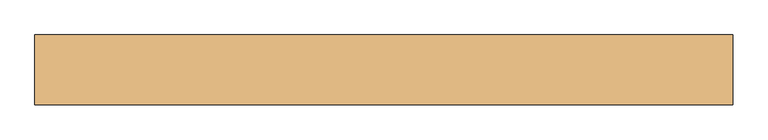
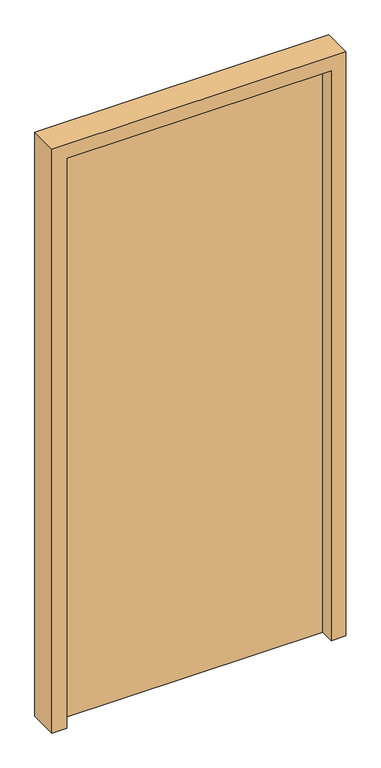
"""IFC4 building model written with IfcOpenShell, lengths in millimetres: door geometry."""

import ifcopenshell
import ifcopenshell.guid

model = None  # the IFC model being written
_history = None  # IfcOwnerHistory: only IFC2X3 demands one
_inside = {}  # id of a spatial element -> (the spatial element, [elements in it])
_under = {}  # id of a project, library or spatial element -> (it, [spatial elements below it])
_declared = {}  # id of a project -> (the project, [libraries it declares])
_typed = {}  # id of a type object -> (the type object, [elements of that type])
_made_of = {}  # id of a material, layer set ... -> (it, [elements and type objects made of it])


def new_model(schema):
    """Start an empty IFC model of exactly this schema.

    Asked for "IFC4X3", IfcOpenShell would pick the latest addendum, in which some entities
    have other attributes; the version numbers below select the first issue.
    IFC2X3 requires an IfcOwnerHistory on every rooted entity: one is made here for all.
    """
    global model, _history
    if schema == "IFC4X3":
        model = ifcopenshell.file(schema_version=(4, 3, 0, 0))
    else:
        model = ifcopenshell.file(schema=schema)
    _inside.clear()
    _under.clear()
    _declared.clear()
    _typed.clear()
    _made_of.clear()
    _history = None
    if model.schema == "IFC2X3":
        org = make("IfcOrganization", Name="unknown")
        user = make(
            "IfcPersonAndOrganization",
            ThePerson=make("IfcPerson", FamilyName="unknown"),
            TheOrganization=org,
        )
        app = make(
            "IfcApplication",
            ApplicationDeveloper=org,
            Version="unknown",
            ApplicationFullName="unknown",
            ApplicationIdentifier="unknown",
        )
        _history = make(
            "IfcOwnerHistory",
            OwningUser=user,
            OwningApplication=app,
            ChangeAction="ADDED",
            CreationDate=0,
        )
    return model


def make(cls, **values):
    """One entity of the class cls with the attributes given. An attribute that is None is left unset."""
    return model.create_entity(
        cls, **{name: value for name, value in values.items() if value is not None}
    )


def rooted(cls, **values):
    """An entity with a GlobalId (a new one), such as an element, a storey or a relation."""
    return make(cls, GlobalId=ifcopenshell.guid.new(), OwnerHistory=_history, **values)


def si_unit(unit_type, name, prefix=None):
    """IfcSIUnit, for example si_unit("LENGTHUNIT", "METRE", prefix="MILLI")."""
    return make("IfcSIUnit", UnitType=unit_type, Prefix=prefix, Name=name)


def assignment(units):
    """IfcUnitAssignment: the units of a project."""
    return None if units is None else make("IfcUnitAssignment", Units=units)


def point(xyz):
    """IfcCartesianPoint."""
    return None if xyz is None else make("IfcCartesianPoint", Coordinates=xyz)


def direction(xyz):
    """IfcDirection."""
    return None if xyz is None else make("IfcDirection", DirectionRatios=xyz)


def frame(location, z_axis=None, x_axis=None):
    """IfcAxis2Placement3D, a coordinate frame: its origin and axes. An axis left out is left unset."""
    return make(
        "IfcAxis2Placement3D",
        Location=point(location),
        Axis=direction(z_axis),
        RefDirection=direction(x_axis),
    )


def origin():
    """The frame at (0, 0, 0) with its axes left unset."""
    return frame((0.0, 0.0, 0.0))


def origin_with_axes():
    """The frame at (0, 0, 0) with the z axis (0, 0, 1) and the x axis (1, 0, 0) written out."""
    return frame((0.0, 0.0, 0.0), z_axis=(0.0, 0.0, 1.0), x_axis=(1.0, 0.0, 0.0))


def place(relative_to, where):
    """IfcLocalPlacement: puts the frame where relative to a parent placement (None: the world)."""
    return make(
        "IfcLocalPlacement", PlacementRelTo=relative_to, RelativePlacement=where
    )


def context(
    kind, dimensions, precision=None, world=None, true_north=None, identifier=None
):
    """IfcGeometricRepresentationContext, for example the 3D "Model" context."""
    return make(
        "IfcGeometricRepresentationContext",
        ContextIdentifier=identifier,
        ContextType=kind,
        CoordinateSpaceDimension=dimensions,
        Precision=precision,
        WorldCoordinateSystem=world,
        TrueNorth=true_north,
    )


def project(units=None, contexts=None):
    """IfcProject with its units and contexts."""
    return rooted(
        "IfcProject",
        Name="project",
        RepresentationContexts=contexts,
        UnitsInContext=assignment(units),
    )


def spatial(cls, under=None, at=None, **own):
    """A site, building, storey or space (cls), placed at a placement, below another one or the project."""
    s = rooted(cls, ObjectPlacement=at, **own)
    if under is not None:
        _under.setdefault(under.id(), (under, []))[1].append(s)
    return s


def polyline(points):
    """IfcPolyline through the points."""
    return make("IfcPolyline", Points=[point(p) for p in points])


def outline(outer, holes=None, kind="AREA"):
    """IfcArbitraryClosedProfileDef: a profile drawn as a closed curve; with holes, ...WithVoids."""
    if holes is None:
        return make("IfcArbitraryClosedProfileDef", ProfileType=kind, OuterCurve=outer)
    return make(
        "IfcArbitraryProfileDefWithVoids",
        ProfileType=kind,
        OuterCurve=outer,
        InnerCurves=holes,
    )


def extrude(swept, where, along, depth):
    """IfcExtrudedAreaSolid: the profile swept, set in the frame where, extruded along a direction by depth."""
    return make(
        "IfcExtrudedAreaSolid",
        SweptArea=swept,
        Position=where,
        ExtrudedDirection=direction(along),
        Depth=depth,
    )


def shape(context_of_items, identifier, shape_type, items):
    """IfcShapeRepresentation: the items that make up one representation, for example the "Body"."""
    return make(
        "IfcShapeRepresentation",
        ContextOfItems=context_of_items,
        RepresentationIdentifier=identifier,
        RepresentationType=shape_type,
        Items=items,
    )


def source(mapping_origin, context_of_items, identifier, shape_type, items):
    """IfcRepresentationMap: a shape defined once, which mapped items show again and again."""
    return make(
        "IfcRepresentationMap",
        MappingOrigin=mapping_origin,
        MappedRepresentation=shape(context_of_items, identifier, shape_type, items),
    )


def transform(
    local_origin,
    x_axis=None,
    y_axis=None,
    z_axis=None,
    scale=None,
    scale2=None,
    scale3=None,
    uniform=True,
):
    """IfcCartesianTransformationOperator3D, or its non-uniform kind. x_axis, y_axis, z_axis: its Axis1, 2, 3."""
    if uniform:
        return make(
            "IfcCartesianTransformationOperator3D",
            Axis1=direction(x_axis),
            Axis2=direction(y_axis),
            LocalOrigin=point(local_origin),
            Scale=scale,
            Axis3=direction(z_axis),
        )
    return make(
        "IfcCartesianTransformationOperator3DnonUniform",
        Axis1=direction(x_axis),
        Axis2=direction(y_axis),
        LocalOrigin=point(local_origin),
        Scale=scale,
        Axis3=direction(z_axis),
        Scale2=scale2,
        Scale3=scale3,
    )


def mapped(mapping_source, mapping_target):
    """IfcMappedItem: shows the shape of a source again, moved by a transform."""
    return make(
        "IfcMappedItem", MappingSource=mapping_source, MappingTarget=mapping_target
    )


def made_of(thing, what):
    """Note that an element or type object is made of a material, layer set ...; save() writes the relation."""
    if what is not None:
        _made_of.setdefault(what.id(), (what, []))[1].append(thing)
    return thing


def element(
    cls,
    number,
    at=None,
    inside=None,
    cuts=None,
    type_object=None,
    material=None,
    context=None,
    identifier="Body",
    shape_type=None,
    held_by="IfcProductDefinitionShape",
    body=None,
    shapes=None,
    **own,
):
    """One element of the class cls, such as IfcWall. Its Tag is "e" and its number.

    at: its placement. inside: the storey or other place that contains it. cuts: it is an
    opening in that element (IfcRelVoidsElement). A single representation is given by context,
    identifier, shape_type and body (its items); several are given by shapes. held_by: the class
    of the entity that holds the representations. save() writes the other relations.
    """
    e = rooted(cls, Tag="e%d" % number, ObjectPlacement=at, **own)
    if body is not None:
        shapes = [shape(context, identifier, shape_type, body)]
    if shapes is not None:
        e.Representation = make(held_by, Representations=shapes)
    if inside is not None:
        _inside.setdefault(inside.id(), (inside, []))[1].append(e)
    if cuts is not None:
        rooted(
            "IfcRelVoidsElement", RelatingBuildingElement=cuts, RelatedOpeningElement=e
        )
    if type_object is not None:
        _typed.setdefault(type_object.id(), (type_object, []))[1].append(e)
    return made_of(e, material)


def aggregate(whole, parts):
    """IfcRelAggregates: a whole, such as a stair, and the parts it consists of."""
    return rooted("IfcRelAggregates", RelatingObject=whole, RelatedObjects=parts)


def save(model, path):
    """Write the relations noted so far, then the file.

    IfcRelAggregates (storeys below a building ...), IfcRelContainedInSpatialStructure (elements
    in a storey), IfcRelDefinesByType, IfcRelAssociatesMaterial and IfcRelDeclares: one each for
    every whole, place, type object, material and project.
    """
    for whole, parts in _under.values():
        aggregate(whole, parts)
    for where, things in _inside.values():
        rooted(
            "IfcRelContainedInSpatialStructure",
            RelatedElements=things,
            RelatingStructure=where,
        )
    for kind, things in _typed.values():
        rooted("IfcRelDefinesByType", RelatedObjects=things, RelatingType=kind)
    for what, things in _made_of.values():
        rooted("IfcRelAssociatesMaterial", RelatedObjects=things, RelatingMaterial=what)
    for by, libraries in _declared.values():
        rooted("IfcRelDeclares", RelatingContext=by, RelatedDefinitions=libraries)
    model.write(path)


def door_4bc70aad(model_context):
    return source(origin(), model_context, "Body", "SweptSolid", [
        extrude(outline(polyline([(450.0, 50.0), (450.0, 0.0), (-450.0, 0.0), (-450.0, 50.0), (450.0, 50.0)])), origin_with_axes(), (0.0, 0.0, 1.0), 2050.0),
        extrude(outline(polyline([(0.0, -500.0), (0.0, -450.0), (2050.0, -450.0), (2050.0, 450.0), (0.0, 450.0), (0.0, 500.0), (2100.0, 500.0), (2100.0, -500.0), (0.0, -500.0)])), frame((0.0, -50.0, 0.0), z_axis=(0.0, 1.0, 0.0), x_axis=(0.0, 0.0, 1.0)), (0.0, 0.0, 1.0), 100.0),
    ])


if __name__ == "__main__":
    model = new_model("IFC4")
    model_context = context("Model", 3, world=origin())
    ifc_project = project(units=[si_unit("LENGTHUNIT", "METRE", prefix="MILLI")], contexts=[model_context])
    site = spatial("IfcSite", under=ifc_project)
    building = spatial("IfcBuilding", under=site)
    placement = place(None, origin())
    door_shape = door_4bc70aad(model_context)
    element("IfcDoor", 1, at=placement, inside=building, context=model_context, shape_type="MappedRepresentation", body=[
        mapped(door_shape, transform((0.0, 0.0, 0.0), x_axis=(1.0, 0.0, 0.0), y_axis=(0.0, 1.0, 0.0), z_axis=(0.0, 0.0, 1.0))),
    ])
    save(model, "model.ifc")
